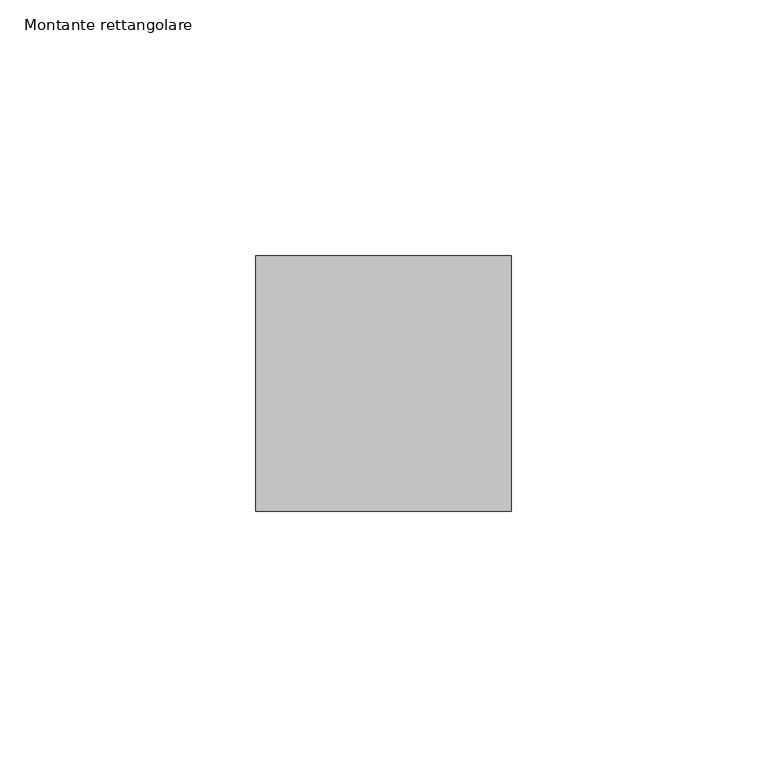
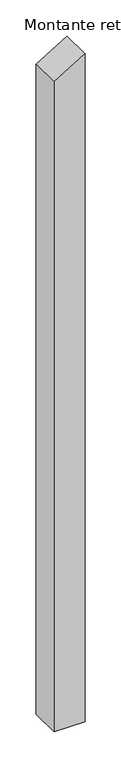
"""IFC4 building model written with IfcOpenShell, lengths in millimetres: member geometry, Montante rettangolare."""

from ifc_helpers import new_model, si_unit, frame, origin, place, context, project, spatial, polyline, outline, extrude, source, transform, mapped, element, save


def montante_rettangolare_802b18e7(model_context):
    return source(origin(), model_context, "Body", "SweptSolid", [
        extrude(outline(polyline([(-8.1796916, 0.0), (-37.9265657, -50.0), (-1137.7384045, -50.0), (-1137.7384045, 0.0), (-8.1796916, 0.0)])), frame((0.0, -25.0, 0.0), z_axis=(0.0, 1.0, 0.0), x_axis=(0.0, 0.0, 1.0)), (0.0, 0.0, 1.0), 50.0),
    ])


if __name__ == "__main__":
    model = new_model("IFC4")
    model_context = context("Model", 3, world=origin())
    ifc_project = project(units=[si_unit("LENGTHUNIT", "METRE", prefix="MILLI")], contexts=[model_context])
    site = spatial("IfcSite", under=ifc_project)
    building = spatial("IfcBuilding", under=site)
    placement = place(None, origin())
    montante_rettangolare_shape = montante_rettangolare_802b18e7(model_context)
    element("IfcMember", 1, ObjectType="Montante rettangolare", at=placement, inside=building, context=model_context, shape_type="MappedRepresentation", body=[
        mapped(montante_rettangolare_shape, transform((0.0, 0.0, 0.0), x_axis=(1.0, 0.0, 0.0), y_axis=(0.0, 1.0, 0.0), z_axis=(0.0, 0.0, 1.0))),
    ])
    save(model, "model.ifc")
